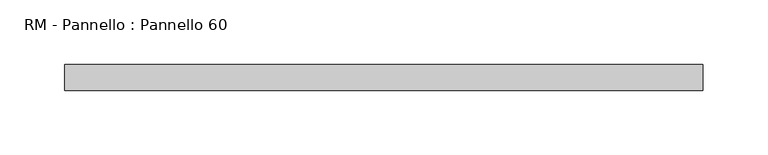
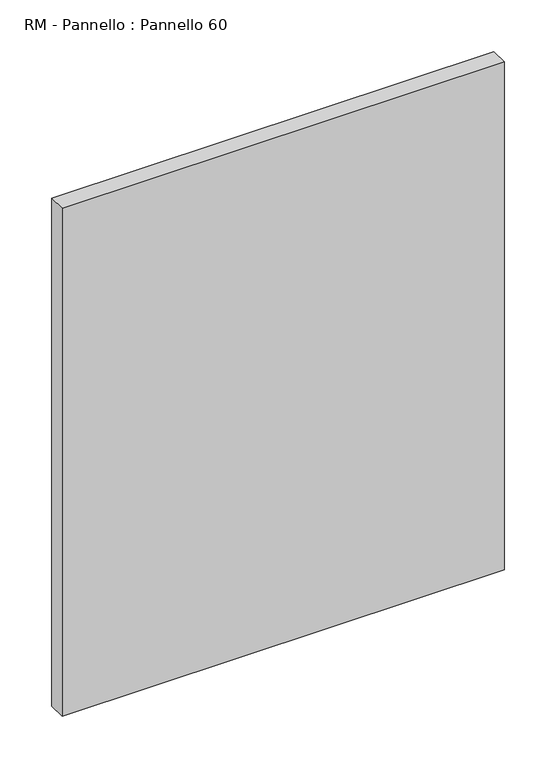
"""IFC4 building model written with IfcOpenShell, lengths in millimetres: plate geometry, RM - Pannello : Pannello 60."""

from ifc_helpers import new_model, si_unit, origin, origin_with_axes, place, context, project, spatial, polyline, outline, extrude, source, transform, mapped, element, save


def rm_pannello_pannello_60_b375d2ae(model_context):
    return source(origin(), model_context, "Body", "SweptSolid", [
        extrude(outline(polyline([(247.0, -200.0), (-247.0, -200.0), (-247.0, -180.0), (247.0, -180.0), (247.0, -200.0)])), origin_with_axes(), (0.0, 0.0, 1.0), 600.0),
    ])


if __name__ == "__main__":
    model = new_model("IFC4")
    model_context = context("Model", 3, world=origin())
    ifc_project = project(units=[si_unit("LENGTHUNIT", "METRE", prefix="MILLI")], contexts=[model_context])
    site = spatial("IfcSite", under=ifc_project)
    building = spatial("IfcBuilding", under=site)
    placement = place(None, origin())
    rm_pannello_pannello_60_shape = rm_pannello_pannello_60_b375d2ae(model_context)
    element("IfcPlate", 1, ObjectType="RM - Pannello : Pannello 60", at=placement, inside=building, context=model_context, shape_type="MappedRepresentation", body=[
        mapped(rm_pannello_pannello_60_shape, transform((0.0, 0.0, 0.0), x_axis=(1.0, 0.0, 0.0), y_axis=(0.0, 1.0, 0.0), z_axis=(0.0, 0.0, 1.0))),
    ])
    save(model, "model.ifc")
